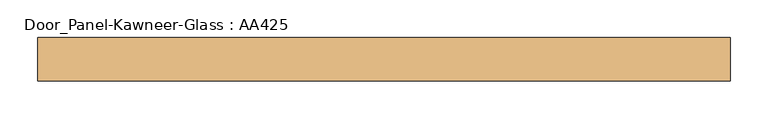
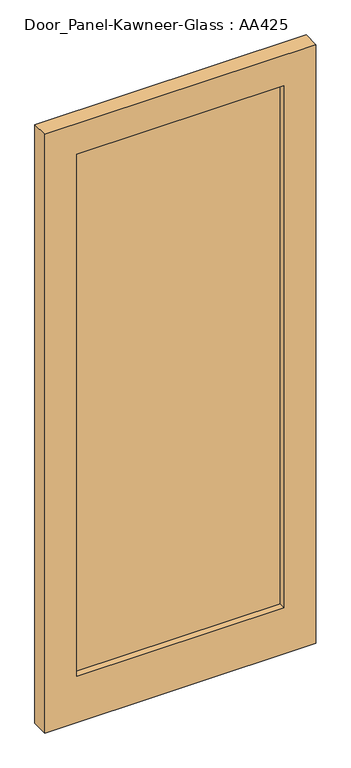
"""IFC4 building model written with IfcOpenShell, lengths in millimetres: door geometry, Door_Panel-Kawneer-Glass : AA425."""

from ifc_helpers import new_model, si_unit, frame, origin, place, context, project, spatial, polyline, outline, extrude, source, transform, mapped, element, save


def door_panel_kawneer_glass_aa425_9d60fcbc(model_context):
    return source(origin(), model_context, "Body", "SweptSolid", [
        extrude(outline(polyline([(806.45, -34.925), (107.95, -34.925), (107.95, -9.525), (806.45, -9.525), (806.45, -34.925)])), frame((0.0, 0.0, 165.1), z_axis=(0.0, 0.0, 1.0), x_axis=(1.0, 0.0, 0.0)), (0.0, 0.0, 1.0), 1860.55),
        extrude(outline(polyline([(2133.6, 914.4), (2133.6, 0.0), (0.0, 0.0), (0.0, 914.4), (2133.6, 914.4)]), holes=[polyline([(2025.65, 806.45), (165.1, 806.45), (165.1, 107.95), (2025.65, 107.95), (2025.65, 806.45)])]), frame((0.0, -57.15, 0.0), z_axis=(0.0, 1.0, 0.0), x_axis=(0.0, 0.0, 1.0)), (0.0, 0.0, 1.0), 57.15),
    ])


if __name__ == "__main__":
    model = new_model("IFC4")
    model_context = context("Model", 3, world=origin())
    ifc_project = project(units=[si_unit("LENGTHUNIT", "METRE", prefix="MILLI")], contexts=[model_context])
    site = spatial("IfcSite", under=ifc_project)
    building = spatial("IfcBuilding", under=site)
    placement = place(None, origin())
    door_panel_kawneer_glass_aa425_shape = door_panel_kawneer_glass_aa425_9d60fcbc(model_context)
    element("IfcDoor", 1, ObjectType="Door_Panel-Kawneer-Glass : AA425", at=placement, inside=building, context=model_context, shape_type="MappedRepresentation", body=[
        mapped(door_panel_kawneer_glass_aa425_shape, transform((0.0, 0.0, 0.0), x_axis=(1.0, 0.0, 0.0), y_axis=(0.0, 1.0, 0.0), z_axis=(0.0, 0.0, 1.0))),
    ])
    save(model, "model.ifc")
